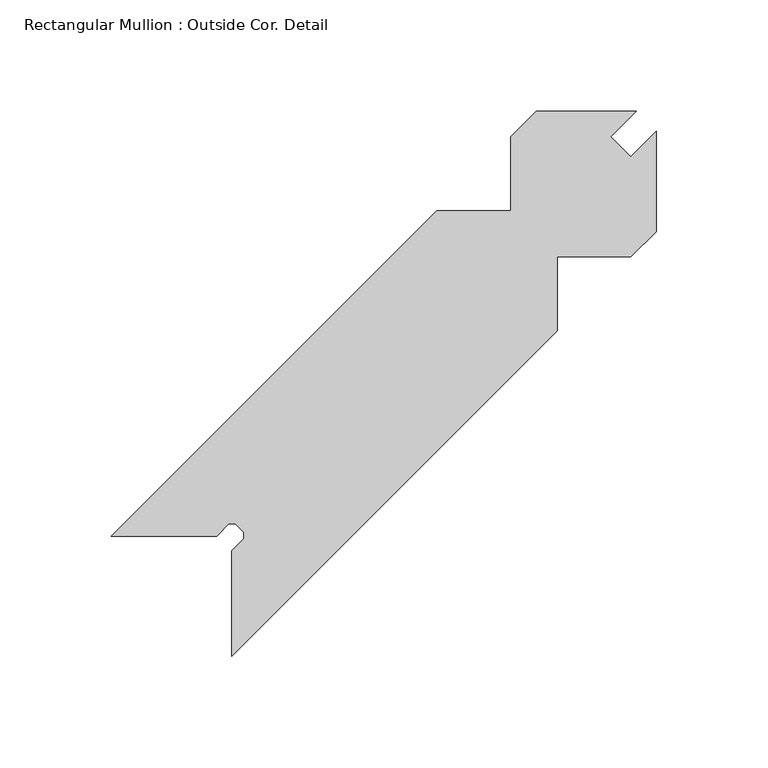
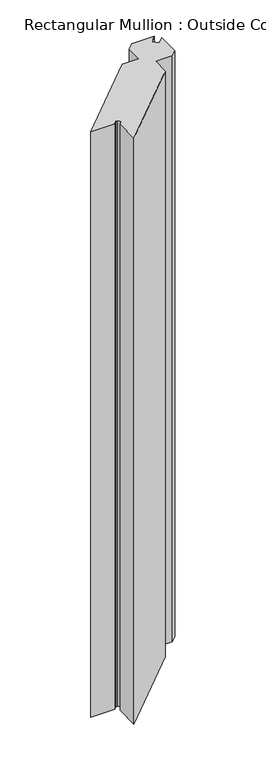
"""IFC4 building model written with IfcOpenShell, lengths in millimetres: member geometry, Rectangular Mullion : Outside Cor. Detail."""

from ifc_helpers import new_model, si_unit, frame, origin, place, context, project, spatial, polyline, outline, extrude, source, transform, mapped, element, save


def rectangular_mullion_outside_cor_detail_598a4019(model_context):
    return source(origin(), model_context, "Body", "SweptSolid", [
        extrude(outline(polyline([(-130.1814567, -19.2433832), (-97.1614567, -19.2433832), (-97.1614567, 13.7766168), (-85.7314567, 25.2066168), (-40.8496567, 25.2066168), (-52.2943096, 13.7619639), (-43.2945729, 4.7622271), (-31.8499199, 16.2068801), (-31.8499199, -28.6749199), (-43.2799199, -40.1049199), (-76.2999199, -40.1049199), (-76.2999199, -73.1249199), (-222.3499199, -219.1749199), (-222.3499199, -171.9309199), (-216.8381199, -166.4191199), (-216.8381199, -163.7013199), (-220.7497199, -159.7897199), (-223.4837934, -159.7897199), (-228.9874567, -165.2933832), (-276.2314567, -165.2933832), (-130.1814567, -19.2433832)])), frame((0.0, 0.0, -1219.2), z_axis=(0.0, 0.0, 1.0), x_axis=(1.0, 0.0, 0.0)), (0.0, 0.0, 1.0), 1219.2),
    ])


if __name__ == "__main__":
    model = new_model("IFC4")
    model_context = context("Model", 3, world=origin())
    ifc_project = project(units=[si_unit("LENGTHUNIT", "METRE", prefix="MILLI")], contexts=[model_context])
    site = spatial("IfcSite", under=ifc_project)
    building = spatial("IfcBuilding", under=site)
    placement = place(None, origin())
    rectangular_mullion_outside_cor_detail_shape = rectangular_mullion_outside_cor_detail_598a4019(model_context)
    element("IfcMember", 1, ObjectType="Rectangular Mullion : Outside Cor. Detail", at=placement, inside=building, context=model_context, shape_type="MappedRepresentation", body=[
        mapped(rectangular_mullion_outside_cor_detail_shape, transform((0.0, 0.0, 0.0), x_axis=(1.0, 0.0, 0.0), y_axis=(0.0, 1.0, 0.0), z_axis=(0.0, 0.0, 1.0))),
    ])
    save(model, "model.ifc")
